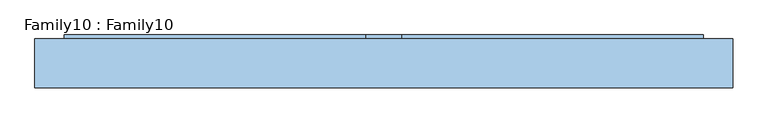
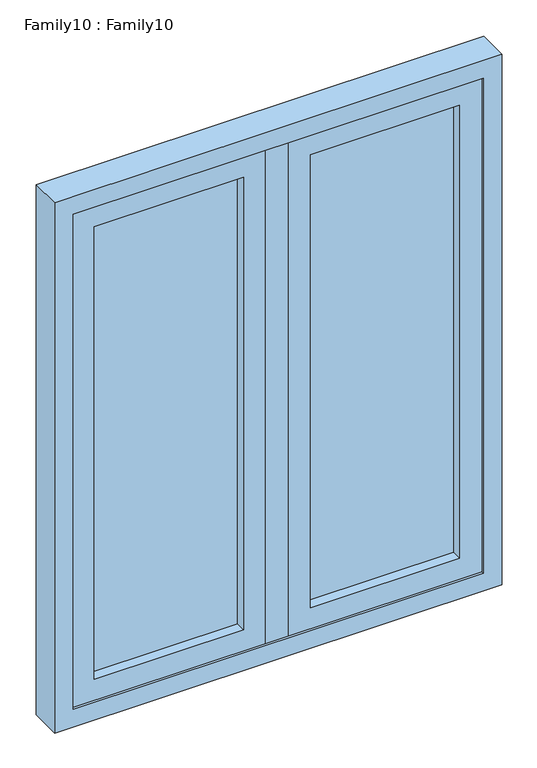
"""IFC4 building model written with IfcOpenShell, lengths in millimetres: window geometry, Family10 : Family10."""

from ifc_helpers import new_model, si_unit, frame, origin, place, context, project, spatial, polyline, outline, extrude, source, transform, mapped, element, save


def family10_family10_e31fa2c4(model_context):
    return source(origin(), model_context, "Body", "SweptSolid", [
        extrude(outline(polyline([(486.0, 14.0), (486.0, 10.0), (89.0, 10.0), (89.0, 14.0), (486.0, 14.0)])), frame((0.0, 0.0, 909.0), z_axis=(0.0, 0.0, 1.0), x_axis=(1.0, 0.0, 0.0)), (0.0, 0.0, 1.0), 1272.0),
        extrude(outline(polyline([(486.0, -10.0), (486.0, -14.0), (89.0, -14.0), (89.0, -10.0), (486.0, -10.0)])), frame((0.0, 0.0, 909.0), z_axis=(0.0, 0.0, 1.0), x_axis=(1.0, 0.0, 0.0)), (0.0, 0.0, 1.0), 1272.0),
        extrude(outline(polyline([(-89.0, 14.0), (-89.0, 10.0), (-486.0, 10.0), (-486.0, 14.0), (-89.0, 14.0)])), frame((0.0, 0.0, 909.0), z_axis=(0.0, 0.0, 1.0), x_axis=(1.0, 0.0, 0.0)), (0.0, 0.0, 1.0), 1272.0),
        extrude(outline(polyline([(-89.0, -10.0), (-89.0, -14.0), (-486.0, -14.0), (-486.0, -10.0), (-89.0, -10.0)])), frame((0.0, 0.0, 909.0), z_axis=(0.0, 0.0, 1.0), x_axis=(1.0, 0.0, 0.0)), (0.0, 0.0, 1.0), 1272.0),
        extrude(outline(polyline([(30.0, -42.0), (-30.0, -42.0), (-30.0, 42.0), (30.0, 42.0), (30.0, -42.0)])), frame((0.0, 0.0, 850.0), z_axis=(0.0, 0.0, 1.0), x_axis=(1.0, 0.0, 0.0)), (0.0, 0.0, 1.0), 1390.0),
        extrude(outline(polyline([(2240.0, 545.0), (2240.0, 30.0), (850.0, 30.0), (850.0, 545.0), (2240.0, 545.0)]), holes=[polyline([(909.0, 486.0), (909.0, 89.0), (2181.0, 89.0), (2181.0, 486.0), (909.0, 486.0)])]), frame((0.0, -42.0, 0.0), z_axis=(0.0, 1.0, 0.0), x_axis=(0.0, 0.0, 1.0)), (0.0, 0.0, 1.0), 84.0),
        extrude(outline(polyline([(2240.0, -30.0), (2240.0, -545.0), (850.0, -545.0), (850.0, -30.0), (2240.0, -30.0)]), holes=[polyline([(909.0, -89.0), (909.0, -486.0), (2181.0, -486.0), (2181.0, -89.0), (909.0, -89.0)])]), frame((0.0, -42.0, 0.0), z_axis=(0.0, 1.0, 0.0), x_axis=(0.0, 0.0, 1.0)), (0.0, 0.0, 1.0), 84.0),
        extrude(outline(polyline([(2290.0, 595.0), (2290.0, -595.0), (800.0, -595.0), (800.0, 595.0), (2290.0, 595.0)]), holes=[polyline([(850.0, 545.0), (850.0, -545.0), (2240.0, -545.0), (2240.0, 545.0), (850.0, 545.0)])]), frame((0.0, -48.2132118, 0.0), z_axis=(0.0, 1.0, 0.0), x_axis=(0.0, 0.0, 1.0)), (0.0, 0.0, 1.0), 84.0),
    ])


if __name__ == "__main__":
    model = new_model("IFC4")
    model_context = context("Model", 3, world=origin())
    ifc_project = project(units=[si_unit("LENGTHUNIT", "METRE", prefix="MILLI")], contexts=[model_context])
    site = spatial("IfcSite", under=ifc_project)
    building = spatial("IfcBuilding", under=site)
    placement = place(None, origin())
    family10_family10_shape = family10_family10_e31fa2c4(model_context)
    element("IfcWindow", 1, ObjectType="Family10 : Family10", at=placement, inside=building, context=model_context, shape_type="MappedRepresentation", body=[
        mapped(family10_family10_shape, transform((0.0, 0.0, 0.0), x_axis=(1.0, 0.0, 0.0), y_axis=(0.0, 1.0, 0.0), z_axis=(0.0, 0.0, 1.0))),
    ])
    save(model, "model.ifc")
